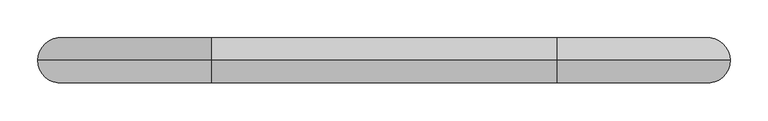
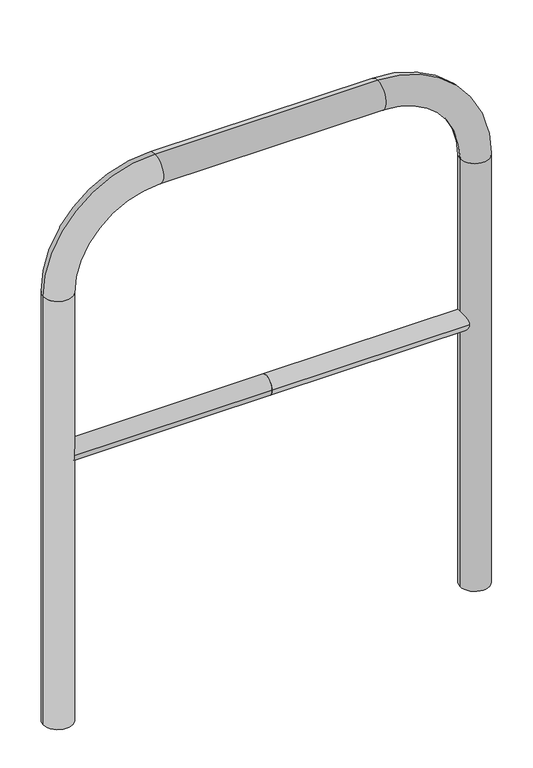
"""IFC4 building model written with IfcOpenShell, lengths in millimetres: proxy geometry."""

from ifc_helpers import new_model, si_unit, point, frame, frame_2d, origin, place, context, project, spatial, circle_curve, ellipse_curve, trimmed, segment, composite_curve, outline, extrude, source, transform, mapped, element, save
from ifc_brep_helpers import plane_surface, cylinder_surface, revolved_surface, advanced_brep


def generic_models_203b05e9(model_context):
    return source(origin(), model_context, "Body", "SolidModel", [
        extrude(outline(composite_curve([segment(trimmed(circle_curve(frame_2d((0.0, 498.4778375)), 20.0), [point((-20.0, 498.4778375))], [point((20.0, 498.4778375))], False, "CARTESIAN"), True, "CONTINUOUS"), segment(trimmed(circle_curve(frame_2d((0.0, 498.4778375)), 20.0), [point((20.0, 498.4778375))], [point((-20.0, 498.4778375))], False, "CARTESIAN"), True, "CONTINUOUS")], self_intersect=False)), frame((-428.894881, 0.0, 0.0), z_axis=(1.0, 0.0, 0.0), x_axis=(0.0, 1.0, 0.0)), (0.0, 0.0, 1.0), 428.894881),
        extrude(outline(composite_curve([segment(trimmed(circle_curve(frame_2d((0.0, 498.4778375)), 20.0), [point((-20.0, 498.4778375))], [point((20.0, 498.4778375))], False, "CARTESIAN"), True, "CONTINUOUS"), segment(trimmed(circle_curve(frame_2d((0.0, 498.4778375)), 20.0), [point((20.0, 498.4778375))], [point((-20.0, 498.4778375))], False, "CARTESIAN"), True, "CONTINUOUS")], self_intersect=False)), frame((0.0, 0.0, 0.0), z_axis=(1.0, 0.0, 0.0), x_axis=(0.0, 1.0, 0.0)), (0.0, 0.0, 1.0), 428.894881),
        advanced_brep(
        [(-398.894881, 0.0, -80.0), (-458.894881, 0.0, -80.0), (-398.894881, 0.0, 850.0), (-458.894881, 0.0, 850.0), (-228.894881, 0.0, 1080.0), (-228.894881, 0.0, 1020.0), (228.894881, 0.0, 1020.0), (228.894881, 0.0, 1080.0), (458.894881, 0.0, 850.0), (398.894881, 0.0, 850.0), (398.894881, 0.0, -80.0), (458.894881, 0.0, -80.0)],
        [
            (0, 1, circle_curve(frame((-428.894881, 0.0, -80.0), z_axis=(0.0, 0.0, -1.0), x_axis=(-1.0, 0.0, 0.0)), 30.0)),
            (1, 0, circle_curve(frame((-428.894881, 0.0, -80.0), z_axis=(0.0, 0.0, -1.0), x_axis=(-1.0, 0.0, 0.0)), 30.0)),
            (0, 2),
            (2, 3, circle_curve(frame((-428.894881, 0.0, 850.0), z_axis=(0.0, 0.0, -1.0), x_axis=(-1.0, 0.0, 0.0)), 30.0)),
            (3, 1),
            (3, 2, circle_curve(frame((-428.894881, 0.0, 850.0), z_axis=(0.0, 0.0, -1.0), x_axis=(-1.0, 0.0, 0.0)), 30.0)),
            (4, 3, circle_curve(frame((-228.894881, 0.0, 850.0), z_axis=(0.0, -1.0, 0.0), x_axis=(-1.0, 0.0, 0.0)), 230.0)),
            (2, 5, circle_curve(frame((-228.894881, 0.0, 850.0), z_axis=(0.0, 1.0, 0.0), x_axis=(-1.0, 0.0, 0.0)), 170.0)),
            (5, 4, circle_curve(frame((-228.894881, 0.0, 1050.0), z_axis=(-1.0, 0.0, 0.0), x_axis=(0.0, 0.0, 1.0)), 30.0)),
            (4, 5, circle_curve(frame((-228.894881, 0.0, 1050.0), z_axis=(-1.0, 0.0, 0.0), x_axis=(0.0, 0.0, 1.0)), 30.0)),
            (5, 6),
            (6, 7, circle_curve(frame((228.894881, 0.0, 1050.0), z_axis=(-1.0, 0.0, 0.0), x_axis=(0.0, 0.0, 1.0)), 30.0)),
            (7, 4),
            (7, 6, circle_curve(frame((228.894881, 0.0, 1050.0), z_axis=(-1.0, 0.0, 0.0), x_axis=(0.0, 0.0, 1.0)), 30.0)),
            (8, 7, circle_curve(frame((228.894881, 0.0, 850.0), z_axis=(0.0, -1.0, 0.0), x_axis=(0.0, 0.0, 1.0)), 230.0)),
            (6, 9, circle_curve(frame((228.894881, 0.0, 850.0), z_axis=(0.0, 1.0, 0.0), x_axis=(0.0, 0.0, 1.0)), 170.0)),
            (9, 8, circle_curve(frame((428.894881, 0.0, 850.0), z_axis=(0.0, 0.0, 1.0), x_axis=(1.0, 0.0, 0.0)), 30.0)),
            (8, 9, circle_curve(frame((428.894881, 0.0, 850.0), z_axis=(0.0, 0.0, 1.0), x_axis=(1.0, 0.0, 0.0)), 30.0)),
            (10, 11, circle_curve(frame((428.894881, 0.0, -80.0), z_axis=(0.0, 0.0, -1.0), x_axis=(1.0, 0.0, 0.0)), 30.0)),
            (11, 10, circle_curve(frame((428.894881, 0.0, -80.0), z_axis=(0.0, 0.0, -1.0), x_axis=(1.0, 0.0, 0.0)), 30.0)),
            (9, 10),
            (11, 8),
        ],
        [
            plane_surface(frame((-428.894881, 0.0, -80.0), z_axis=(0.0, 0.0, -1.0), x_axis=(0.0, -1.0, 0.0))),
            cylinder_surface(frame((-428.894881, 0.0, -80.0), z_axis=(0.0, 0.0, -1.0), x_axis=(-1.0, 0.0, 0.0)), 30.0),
            revolved_surface(trimmed(ellipse_curve(frame((-428.894881, 0.0, 850.0), z_axis=(0.0, 0.0, -1.0), x_axis=(-1.0, 0.0, 0.0)), 30.0, 30.0), [point((-398.894881, 0.0, 850.0))], [point((-458.894881, 0.0, 850.0))], True, "CARTESIAN"), (-228.894881, 0.0, 850.0), (0.0, 1.0, 0.0)),
            revolved_surface(trimmed(ellipse_curve(frame((-428.894881, 0.0, 850.0), z_axis=(0.0, 0.0, -1.0), x_axis=(-1.0, 0.0, 0.0)), 30.0, 30.0), [point((-458.894881, 0.0, 850.0))], [point((-398.894881, 0.0, 850.0))], True, "CARTESIAN"), (-228.894881, 0.0, 850.0), (0.0, 1.0, 0.0)),
            cylinder_surface(frame((-228.894881, 0.0, 1050.0), z_axis=(-1.0, 0.0, 0.0), x_axis=(0.0, 0.0, 1.0)), 30.0),
            revolved_surface(trimmed(ellipse_curve(frame((228.894881, 0.0, 1050.0), z_axis=(-1.0, 0.0, 0.0), x_axis=(0.0, 0.0, 1.0)), 30.0, 30.0), [point((228.894881, 0.0, 1020.0))], [point((228.894881, 0.0, 1080.0))], True, "CARTESIAN"), (228.894881, 0.0, 850.0), (0.0, 1.0, 0.0)),
            revolved_surface(trimmed(ellipse_curve(frame((228.894881, 0.0, 1050.0), z_axis=(-1.0, 0.0, 0.0), x_axis=(0.0, 0.0, 1.0)), 30.0, 30.0), [point((228.894881, 0.0, 1080.0))], [point((228.894881, 0.0, 1020.0))], True, "CARTESIAN"), (228.894881, 0.0, 850.0), (0.0, 1.0, 0.0)),
            plane_surface(frame((428.894881, 0.0, -80.0), z_axis=(0.0, 0.0, -1.0), x_axis=(0.0, -1.0, 0.0))),
            cylinder_surface(frame((428.894881, 0.0, 850.0), z_axis=(0.0, 0.0, 1.0), x_axis=(1.0, 0.0, 0.0)), 30.0),
        ],
        [
            (0, [[1, 2]]),
            (1, [[-1, 3, 4, 5]]),
            (1, [[-2, -5, 6, -3]]),
            (2, [[7, -4, 8, 9]]),
            (3, [[-8, -6, -7, 10]]),
            (4, [[-9, 11, 12, 13]]),
            (4, [[-10, -13, 14, -11]]),
            (5, [[15, -12, 16, 17]]),
            (6, [[-16, -14, -15, 18]]),
            (7, [[19, 20]]),
            (8, [[-17, 21, -20, 22]]),
            (8, [[-18, -22, -19, -21]]),
        ],
    ),
    ])


if __name__ == "__main__":
    model = new_model("IFC4")
    model_context = context("Model", 3, world=origin())
    ifc_project = project(units=[si_unit("LENGTHUNIT", "METRE", prefix="MILLI")], contexts=[model_context])
    site = spatial("IfcSite", under=ifc_project)
    building = spatial("IfcBuilding", under=site)
    placement = place(None, origin())
    generic_models_shape = generic_models_203b05e9(model_context)
    element("IfcBuildingElementProxy", 1, Name="Generic Models", at=placement, inside=building, context=model_context, shape_type="MappedRepresentation", body=[
        mapped(generic_models_shape, transform((0.0, 0.0, 0.0), x_axis=(1.0, 0.0, 0.0), y_axis=(0.0, 1.0, 0.0), z_axis=(0.0, 0.0, 1.0))),
    ])
    save(model, "model.ifc")
